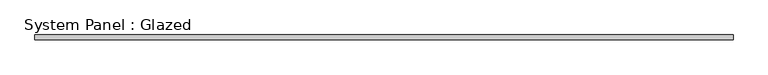
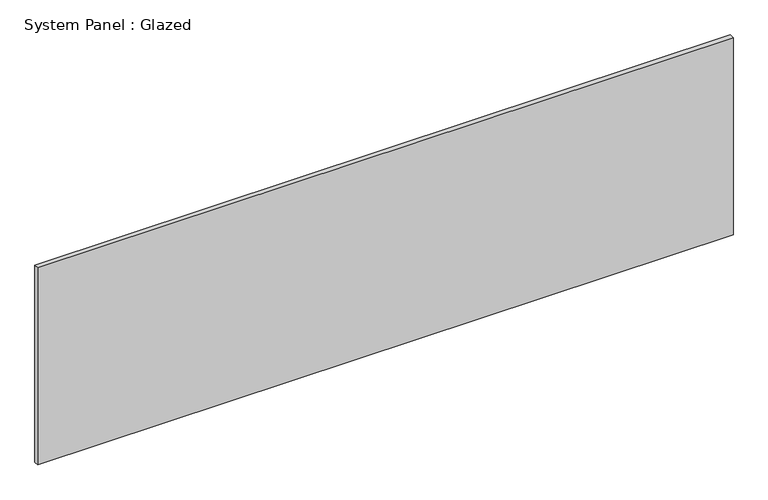
"""IFC4 building model written with IfcOpenShell, lengths in millimetres: plate geometry, System Panel : Glazed."""

from ifc_helpers import new_model, si_unit, origin, origin_with_axes, place, context, project, spatial, polyline, outline, extrude, source, transform, mapped, element, save


def system_panel_glazed_33bcce7b(model_context):
    return source(origin(), model_context, "Body", "SweptSolid", [
        extrude(outline(polyline([(1876.0262313, 19.05), (-1876.0262313, 19.05), (-1876.0262313, 44.45), (1876.0262313, 44.45), (1876.0262313, 19.05)])), origin_with_axes(), (0.0, 0.0, 1.0), 1123.95),
    ])


if __name__ == "__main__":
    model = new_model("IFC4")
    model_context = context("Model", 3, world=origin())
    ifc_project = project(units=[si_unit("LENGTHUNIT", "METRE", prefix="MILLI")], contexts=[model_context])
    site = spatial("IfcSite", under=ifc_project)
    building = spatial("IfcBuilding", under=site)
    placement = place(None, origin())
    system_panel_glazed_shape = system_panel_glazed_33bcce7b(model_context)
    element("IfcPlate", 1, ObjectType="System Panel : Glazed", at=placement, inside=building, context=model_context, shape_type="MappedRepresentation", body=[
        mapped(system_panel_glazed_shape, transform((0.0, 0.0, 0.0), x_axis=(1.0, 0.0, 0.0), y_axis=(0.0, 1.0, 0.0), z_axis=(0.0, 0.0, 1.0))),
    ])
    save(model, "model.ifc")
